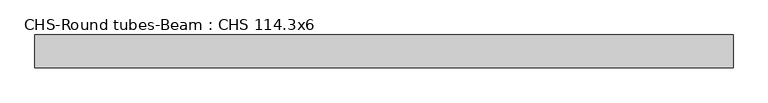
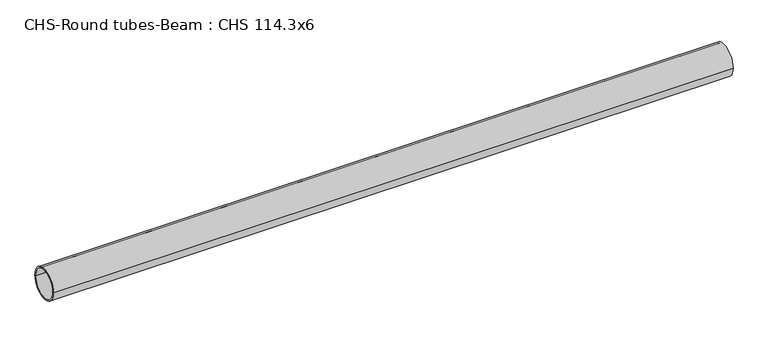
"""IFC4 building model written with IfcOpenShell, lengths in millimetres: beam geometry, CHS-Round tubes-Beam : CHS 114.3x6."""

from ifc_helpers import new_model, si_unit, point, frame, origin, origin_2d, place, context, project, spatial, circle_curve, trimmed, segment, composite_curve, outline, extrude, source, transform, mapped, element, save


def chs_round_tubes_beam_chs_114_3x6_f6f48c0c(model_context):
    return source(origin(), model_context, "Body", "SweptSolid", [
        extrude(outline(composite_curve([segment(trimmed(circle_curve(origin_2d(), 57.15), [point((57.15, 0.0))], [point((-57.15, 0.0))], False, "CARTESIAN"), True, "CONTINUOUS"), segment(trimmed(circle_curve(origin_2d(), 57.15), [point((-57.15, 0.0))], [point((57.15, 0.0))], False, "CARTESIAN"), True, "CONTINUOUS")], self_intersect=False), holes=[composite_curve([segment(trimmed(circle_curve(origin_2d(), 51.15), [point((51.15, 0.0))], [point((-51.15, 0.0))], True, "CARTESIAN"), True, "CONTINUOUS"), segment(trimmed(circle_curve(origin_2d(), 51.15), [point((-51.15, 0.0))], [point((51.15, 0.0))], True, "CARTESIAN"), True, "CONTINUOUS")], self_intersect=False)]), frame((-1186.3465792, 0.0, 0.0), z_axis=(1.0, 0.0, 0.0), x_axis=(0.0, 1.0, 0.0)), (0.0, 0.0, 1.0), 2434.404199),
    ])


if __name__ == "__main__":
    model = new_model("IFC4")
    model_context = context("Model", 3, world=origin())
    ifc_project = project(units=[si_unit("LENGTHUNIT", "METRE", prefix="MILLI")], contexts=[model_context])
    site = spatial("IfcSite", under=ifc_project)
    building = spatial("IfcBuilding", under=site)
    placement = place(None, origin())
    chs_round_tubes_beam_chs_114_3x6_shape = chs_round_tubes_beam_chs_114_3x6_f6f48c0c(model_context)
    element("IfcBeam", 1, ObjectType="CHS-Round tubes-Beam : CHS 114.3x6", at=placement, inside=building, context=model_context, shape_type="MappedRepresentation", body=[
        mapped(chs_round_tubes_beam_chs_114_3x6_shape, transform((0.0, 0.0, 0.0), x_axis=(1.0, 0.0, 0.0), y_axis=(0.0, 1.0, 0.0), z_axis=(0.0, 0.0, 1.0))),
    ])
    save(model, "model.ifc")
